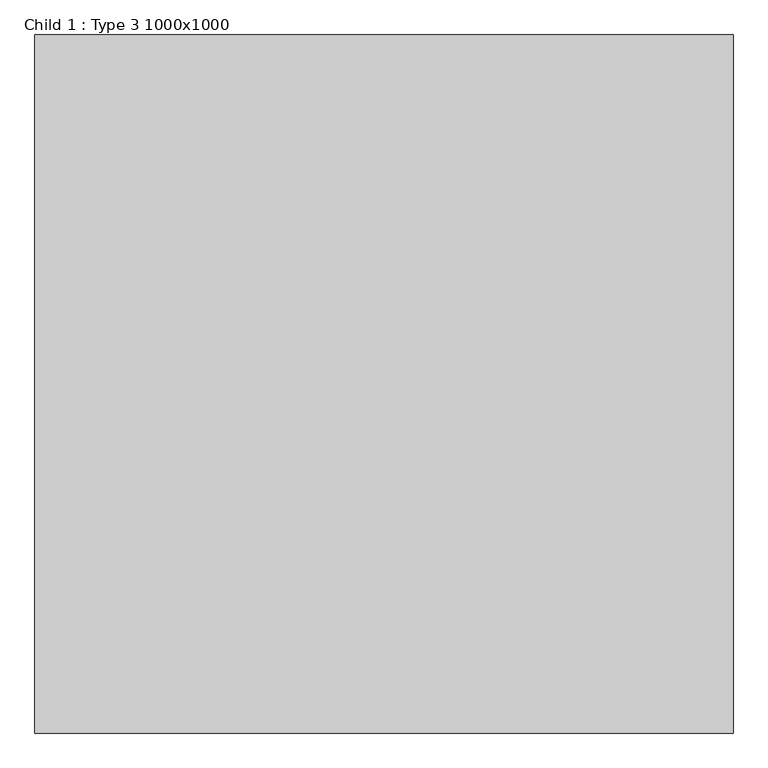
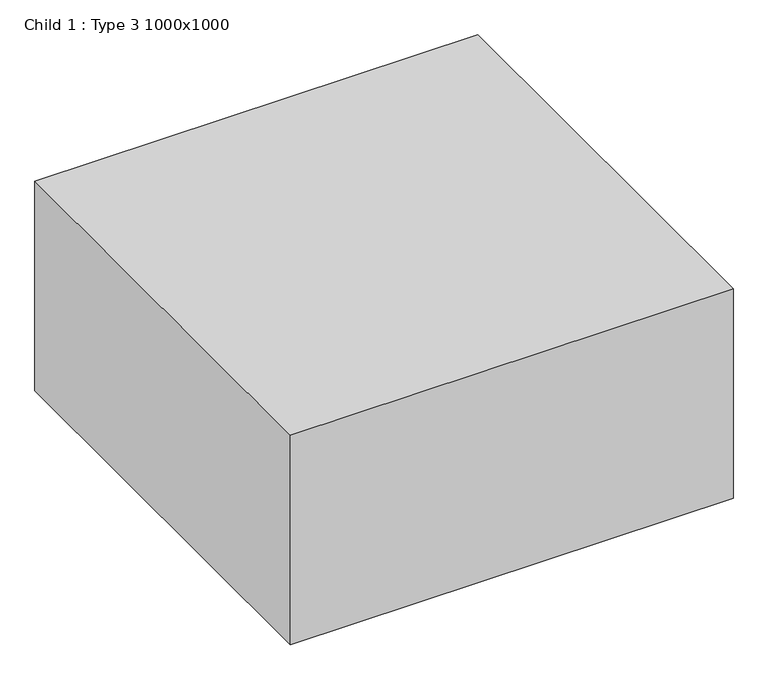
"""IFC4 building model written with IfcOpenShell, lengths in millimetres: proxy geometry, Child 1 : Type 3 1000x1000."""

from ifc_helpers import new_model, si_unit, origin, origin_with_axes, place, context, project, spatial, polyline, outline, extrude, source, transform, mapped, element, save


def child_1_type_3_1000x1000_e0c4999a(model_context):
    return source(origin(), model_context, "Body", "SweptSolid", [
        extrude(outline(polyline([(500.0, 500.0), (500.0, -500.0), (-500.0, -500.0), (-500.0, 500.0), (500.0, 500.0)])), origin_with_axes(), (0.0, 0.0, 1.0), 500.0),
    ])


if __name__ == "__main__":
    model = new_model("IFC4")
    model_context = context("Model", 3, world=origin())
    ifc_project = project(units=[si_unit("LENGTHUNIT", "METRE", prefix="MILLI")], contexts=[model_context])
    site = spatial("IfcSite", under=ifc_project)
    building = spatial("IfcBuilding", under=site)
    placement = place(None, origin())
    child_1_type_3_1000x1000_shape = child_1_type_3_1000x1000_e0c4999a(model_context)
    element("IfcBuildingElementProxy", 1, Name="Child 1 : Type 3 1000x1000", ObjectType="Child 1 : Type 3 1000x1000", at=placement, inside=building, context=model_context, shape_type="MappedRepresentation", body=[
        mapped(child_1_type_3_1000x1000_shape, transform((0.0, 0.0, 0.0), x_axis=(1.0, 0.0, 0.0), y_axis=(0.0, 1.0, 0.0), z_axis=(0.0, 0.0, 1.0))),
    ])
    save(model, "model.ifc")
